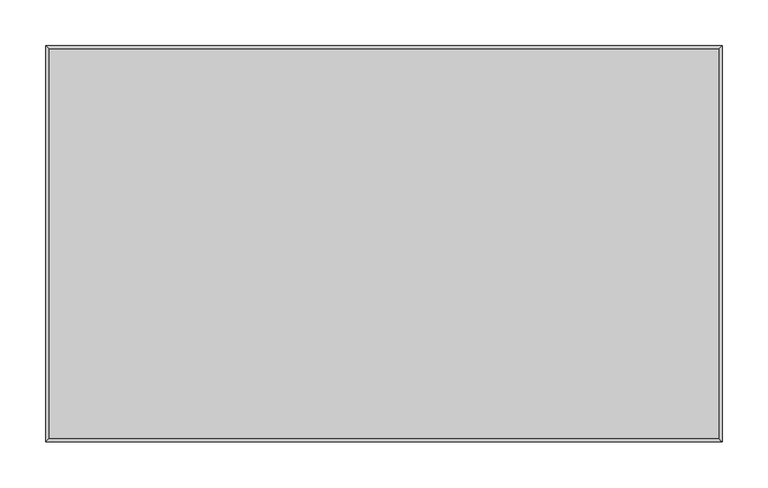
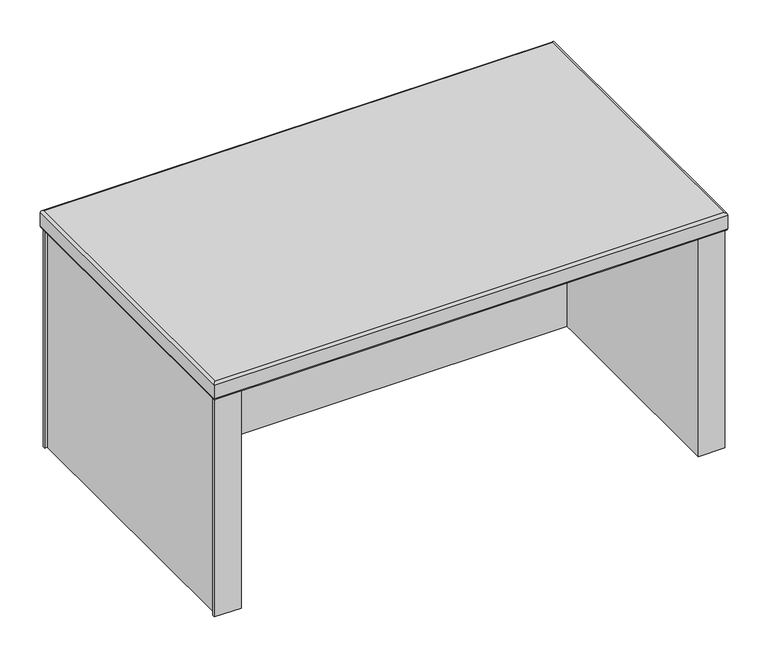
"""IFC4 building model written with IfcOpenShell, lengths in millimetres: furniture geometry."""

from ifc_helpers import new_model, si_unit, frame, origin, place, context, project, spatial, polyline, ellipse_curve, outline, extrude, source, transform, mapped, element, save
from ifc_brep_helpers import plane_surface, cylinder_surface, advanced_brep


def furniture_29643bc3(model_context):
    return source(origin(), model_context, "Body", "SolidModel", [
        extrude(outline(polyline([(2.1843999, -428.6122828), (2.1843999, -424.8023046), (6.3245998, -424.8023046), (6.3245998, -6.9722999), (2.1843999, -6.9722999), (2.1843999, -3.1622999), (40.4875995, -3.1622999), (40.4875995, -428.6122828), (2.1843999, -428.6122828)]), holes=[polyline([(39.2176008, -24.6850803), (39.2176008, -4.4323001), (11.8872002, -4.4323001), (11.8872002, -6.9722999), (7.5946003, -6.9722999), (7.5946003, -24.6850803), (39.2176008, -24.6850803)]), polyline([(39.2176008, -407.1149197), (7.5946003, -407.1149197), (7.5946003, -424.8277001), (11.8872002, -424.8277001), (11.8872002, -427.3676999), (39.2176008, -427.3676999), (39.2176008, -407.1149197)])]), frame((0.0, 0.0, 738.2002), z_axis=(0.0, 0.0, 1.0), x_axis=(1.0, 0.0, 0.0)), (0.0, 0.0, 1.0), 330.3270029),
        extrude(outline(polyline([(734.4162057, -428.6122828), (696.113006, -428.6122828), (696.113006, -3.1622999), (734.4162057, -3.1622999), (734.4162057, -6.9722999), (730.2760058, -6.9722999), (730.2760058, -424.8023046), (734.4162057, -424.8023046), (734.4162057, -428.6122828)]), holes=[polyline([(697.3830048, -24.6850803), (729.0060053, -24.6850803), (729.0060053, -6.9722999), (724.7134053, -6.9722999), (724.7134053, -4.4323001), (697.3830048, -4.4323001), (697.3830048, -24.6850803)]), polyline([(697.3830048, -407.1149197), (697.3830048, -427.3676999), (724.7134053, -427.3676999), (724.7134053, -424.8277001), (729.0060053, -424.8277001), (729.0060053, -407.1149197), (697.3830048, -407.1149197)])]), frame((0.0, 0.0, 738.2002), z_axis=(0.0, 0.0, 1.0), x_axis=(1.0, 0.0, 0.0)), (0.0, 0.0, 1.0), 330.3270029),
        advanced_brep(
        [(736.6006056, 0.0, 1092.2281807), (733.4256056, -3.175, 1095.4031807), (733.5597745, -428.625, 1095.4003446), (736.6006056, -431.8, 1092.2281807), (736.6006056, -431.8, 1071.7022029), (736.6006056, 0.0, 1071.7022029), (733.4256056, -428.625, 1068.5272029), (733.4256056, -3.175, 1068.5272029), (3.175, -428.7591689, 1095.4003446), (0.0, -431.8, 1092.2281807), (0.0, -431.8, 1071.7022029), (3.175, -428.625, 1068.5272029), (3.3091689, -3.175, 1095.4003446), (0.0, 0.0, 1092.2281807), (0.0, 0.0, 1071.7022029), (3.175, -3.175, 1068.5272029)],
        [
            (0, 1, ellipse_curve(frame((733.4256056, -3.175, 1092.2281807), z_axis=(0.7071067811865475, -0.7071067811865475, 0.0), x_axis=(0.7071067811865474, 0.7071067811865476, 0.0)), 4.4901281, 3.175)),
            (1, 2),
            (2, 3, ellipse_curve(frame((733.4256056, -428.625, 1092.2281807), z_axis=(0.7071067811865475, 0.7071067811865475, 0.0), x_axis=(-0.7071067811865474, 0.7071067811865476, 0.0)), 4.4901281, 3.175)),
            (3, 0),
            (3, 4),
            (4, 5),
            (5, 0),
            (4, 6, ellipse_curve(frame((733.4256056, -428.625, 1071.7022029), z_axis=(0.7071067811865475, 0.7071067811865475, 0.0), x_axis=(-0.7071067811865474, 0.7071067811865476, 0.0)), 4.4901281, 3.175)),
            (6, 7),
            (7, 5, ellipse_curve(frame((733.4256056, -3.175, 1071.7022029), z_axis=(0.7071067811865475, -0.7071067811865475, 0.0), x_axis=(0.7071067811865474, 0.7071067811865476, 0.0)), 4.4901281, 3.175)),
            (2, 8),
            (8, 9, ellipse_curve(frame((3.175, -428.625, 1092.2281807), z_axis=(0.7071067811865475, -0.7071067811865475, 0.0), x_axis=(0.7071067811865476, 0.7071067811865474, 0.0)), 4.4901281, 3.175)),
            (9, 3),
            (9, 10),
            (10, 4),
            (10, 11, ellipse_curve(frame((3.175, -428.625, 1071.7022029), z_axis=(0.7071067811865475, -0.7071067811865475, 0.0), x_axis=(0.7071067811865476, 0.7071067811865474, 0.0)), 4.4901281, 3.175)),
            (11, 6),
            (8, 12),
            (12, 13, ellipse_curve(frame((3.175, -3.175, 1092.2281807), z_axis=(-0.7071067811865475, -0.7071067811865475, 0.0), x_axis=(0.7071067811865474, -0.7071067811865476, 0.0)), 4.4901281, 3.175)),
            (13, 9),
            (13, 14),
            (14, 10),
            (14, 15, ellipse_curve(frame((3.175, -3.175, 1071.7022029), z_axis=(-0.7071067811865475, -0.7071067811865475, 0.0), x_axis=(0.7071067811865474, -0.7071067811865476, 0.0)), 4.4901281, 3.175)),
            (15, 11),
            (0, 13),
            (12, 1),
            (5, 14),
            (7, 15),
        ],
        [
            cylinder_surface(frame((733.4256056, -3.175, 1092.2281807), z_axis=(0.0, 1.0, 0.0), x_axis=(1.0, 0.0, 0.0)), 3.175),
            plane_surface(frame((736.6006056, 0.0, 1092.2281807), z_axis=(1.0, 0.0, 0.0), x_axis=(0.0, -1.0, 0.0))),
            cylinder_surface(frame((733.4256056, -3.175, 1071.7022029), z_axis=(0.0, 1.0, 0.0), x_axis=(1.0, 0.0, 0.0)), 3.175),
            cylinder_surface(frame((733.4256056, -428.625, 1092.2281807), z_axis=(1.0, 0.0, 0.0), x_axis=(0.0, -1.0, 0.0)), 3.175),
            plane_surface(frame((736.6006056, -431.8, 1092.2281807), z_axis=(0.0, -1.0, 0.0), x_axis=(-1.0, 0.0, 0.0))),
            cylinder_surface(frame((733.4256056, -428.625, 1071.7022029), z_axis=(1.0, 0.0, 0.0), x_axis=(0.0, -1.0, 0.0)), 3.175),
            cylinder_surface(frame((3.175, -428.625, 1092.2281807), z_axis=(0.0, -1.0, 0.0), x_axis=(-1.0, 0.0, 0.0)), 3.175),
            plane_surface(frame((0.0, -431.8, 1092.2281807), z_axis=(-1.0, 0.0, 0.0), x_axis=(0.0, 1.0, 0.0))),
            cylinder_surface(frame((3.175, -428.625, 1071.7022029), z_axis=(0.0, -1.0, 0.0), x_axis=(-1.0, 0.0, 0.0)), 3.175),
            cylinder_surface(frame((3.175, -3.175, 1092.2281807), z_axis=(-1.0, 0.0, 0.0), x_axis=(0.0, 1.0, 0.0)), 3.175),
            plane_surface(frame((0.0, 0.0, 1092.2281807), z_axis=(0.0, 1.0, 0.0), x_axis=(1.0, 0.0, 0.0))),
            cylinder_surface(frame((3.175, -3.175, 1071.7022029), z_axis=(-1.0, 0.0, 0.0), x_axis=(0.0, 1.0, 0.0)), 3.175),
            plane_surface(frame((3.175, -3.175, 1068.5272029), z_axis=(0.0, 0.0, -1.0), x_axis=(1.0, 0.0, 0.0))),
            plane_surface(frame((3.175, -3.175, 1095.4003446), z_axis=(0.0, 0.0, 1.0), x_axis=(-1.0, 0.0, 0.0))),
        ],
        [
            (0, [[1, 2, 3, 4]]),
            (1, [[-4, 5, 6, 7]]),
            (2, [[-6, 8, 9, 10]]),
            (3, [[-3, 11, 12, 13]]),
            (4, [[-5, -13, 14, 15]]),
            (5, [[-8, -15, 16, 17]]),
            (6, [[-12, 18, 19, 20]]),
            (7, [[-14, -20, 21, 22]]),
            (8, [[-16, -22, 23, 24]]),
            (9, [[-1, 25, -19, 26]]),
            (10, [[-7, 27, -21, -25]]),
            (11, [[-10, 28, -23, -27]]),
            (12, [[-9, -17, -24, -28]]),
            (13, [[-2, -26, -18, -11]]),
        ],
    ),
        extrude(outline(polyline([(696.1123793, -101.5861321), (696.1123793, -102.8561309), (40.4875995, -102.8561309), (40.4875995, -101.5861321), (696.1123793, -101.5861321)])), frame((0.0, 0.0, 738.2002), z_axis=(0.0, 0.0, 1.0), x_axis=(1.0, 0.0, 0.0)), (0.0, 0.0, 1.0), 329.2271427),
    ])


if __name__ == "__main__":
    model = new_model("IFC4")
    model_context = context("Model", 3, world=origin())
    ifc_project = project(units=[si_unit("LENGTHUNIT", "METRE", prefix="MILLI")], contexts=[model_context])
    site = spatial("IfcSite", under=ifc_project)
    building = spatial("IfcBuilding", under=site)
    placement = place(None, origin())
    furniture_shape = furniture_29643bc3(model_context)
    element("IfcFurniture", 1, at=placement, inside=building, context=model_context, shape_type="MappedRepresentation", body=[
        mapped(furniture_shape, transform((0.0, 0.0, 0.0), x_axis=(1.0, 0.0, 0.0), y_axis=(0.0, 1.0, 0.0), z_axis=(0.0, 0.0, 1.0))),
    ])
    save(model, "model.ifc")
